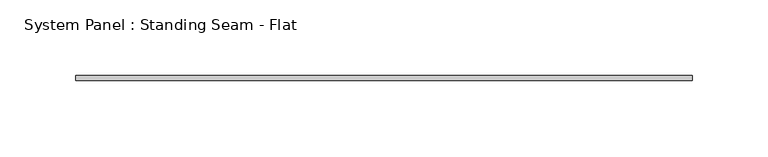
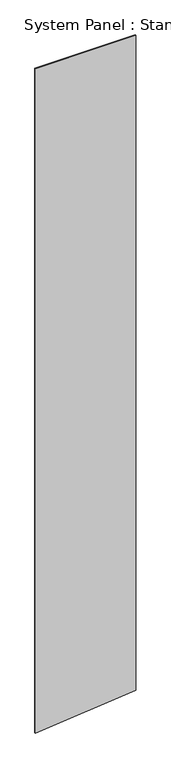
"""IFC4 building model written with IfcOpenShell, lengths in millimetres: plate geometry, System Panel : Standing Seam - Flat."""

from ifc_helpers import new_model, si_unit, frame, origin, place, context, project, spatial, polyline, outline, extrude, source, transform, mapped, element, save


def system_panel_standing_seam_flat_de2c9378(model_context):
    return source(origin(), model_context, "Body", "SweptSolid", [
        extrude(outline(polyline([(0.0, -203.2), (41.2973855, 203.2), (2846.6953018, 203.2), (2846.6953018, -203.2), (0.0, -203.2)])), frame((0.0, -1.5875, 0.0), z_axis=(0.0, 1.0, 0.0), x_axis=(0.0, 0.0, 1.0)), (0.0, 0.0, 1.0), 3.175),
    ])


if __name__ == "__main__":
    model = new_model("IFC4")
    model_context = context("Model", 3, world=origin())
    ifc_project = project(units=[si_unit("LENGTHUNIT", "METRE", prefix="MILLI")], contexts=[model_context])
    site = spatial("IfcSite", under=ifc_project)
    building = spatial("IfcBuilding", under=site)
    placement = place(None, origin())
    system_panel_standing_seam_flat_shape = system_panel_standing_seam_flat_de2c9378(model_context)
    element("IfcPlate", 1, ObjectType="System Panel : Standing Seam - Flat", at=placement, inside=building, context=model_context, shape_type="MappedRepresentation", body=[
        mapped(system_panel_standing_seam_flat_shape, transform((0.0, 0.0, 0.0), x_axis=(1.0, 0.0, 0.0), y_axis=(0.0, 1.0, 0.0), z_axis=(0.0, 0.0, 1.0))),
    ])
    save(model, "model.ifc")
